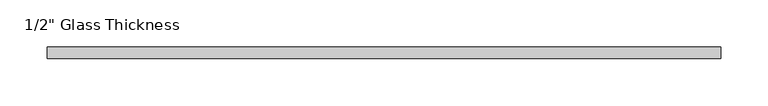
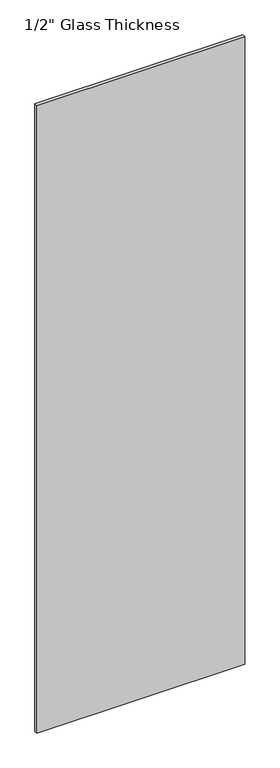
"""IFC4 building model written with IfcOpenShell, lengths in millimetres: plate geometry."""

from ifc_helpers import new_model, si_unit, origin, origin_with_axes, place, context, project, spatial, polyline, outline, extrude, source, transform, mapped, element, save


def plate_0918e088(model_context):
    return source(origin(), model_context, "Body", "SweptSolid", [
        extrude(outline(polyline([(355.5, 0.0), (-355.5, 0.0), (-355.5, 12.0), (355.5, 12.0), (355.5, 0.0)])), origin_with_axes(), (0.0, 0.0, 1.0), 2267.0),
    ])


if __name__ == "__main__":
    model = new_model("IFC4")
    model_context = context("Model", 3, world=origin())
    ifc_project = project(units=[si_unit("LENGTHUNIT", "METRE", prefix="MILLI")], contexts=[model_context])
    site = spatial("IfcSite", under=ifc_project)
    building = spatial("IfcBuilding", under=site)
    placement = place(None, origin())
    plate_shape = plate_0918e088(model_context)
    element("IfcPlate", 1, ObjectType="1/2\" Glass Thickness", at=placement, inside=building, context=model_context, shape_type="MappedRepresentation", body=[
        mapped(plate_shape, transform((0.0, 0.0, 0.0), x_axis=(1.0, 0.0, 0.0), y_axis=(0.0, 1.0, 0.0), z_axis=(0.0, 0.0, 1.0))),
    ])
    save(model, "model.ifc")
